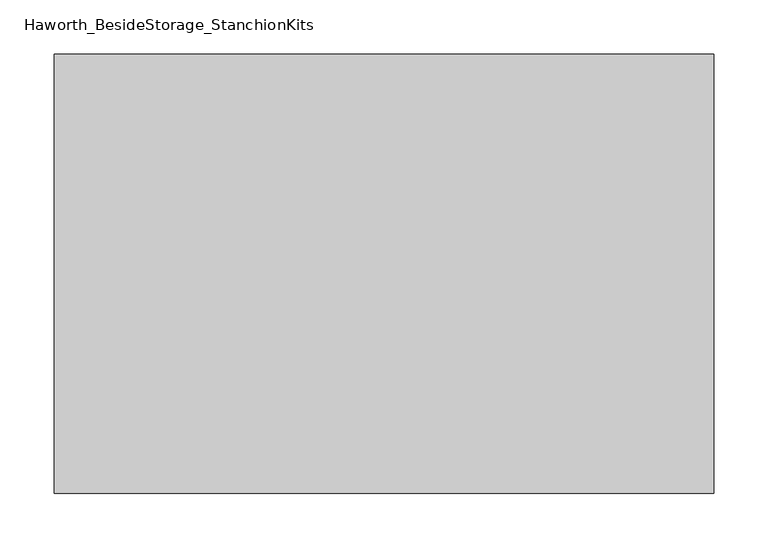
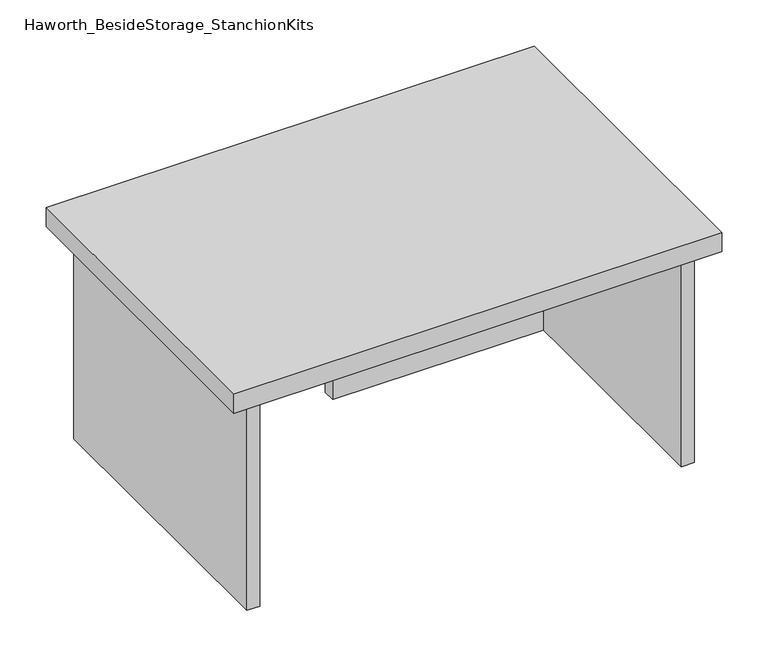
"""IFC4 building model written with IfcOpenShell, lengths in millimetres: furniture geometry, Haworth_BesideStorage_StanchionKits."""

from ifc_helpers import new_model, si_unit, frame, origin, place, context, project, spatial, polyline, outline, extrude, source, transform, mapped, element, save


def haworth_besidestorage_stanchionkits_faf64165(model_context):
    return source(origin(), model_context, "Body", "SweptSolid", [
        extrude(outline(polyline([(466.725, 0.0), (466.725, -406.4), (-142.875, -406.4), (-142.875, 0.0), (466.725, 0.0)])), frame((0.0, 0.0, 711.2), z_axis=(0.0, 0.0, 1.0), x_axis=(1.0, 0.0, 0.0)), (0.0, 0.0, 1.0), 25.4),
        extrude(outline(polyline([(161.925, -76.2), (425.45, -76.2), (425.45, -92.075), (161.925, -92.075), (161.925, -76.2)])), frame((0.0, 0.0, 431.8), z_axis=(0.0, 0.0, 1.0), x_axis=(1.0, 0.0, 0.0)), (0.0, 0.0, 1.0), 279.4),
        extrude(outline(polyline([(441.325, -390.525), (425.45, -390.525), (425.45, -15.875), (441.325, -15.875), (441.325, -390.525)])), frame((0.0, 0.0, 431.8), z_axis=(0.0, 0.0, 1.0), x_axis=(1.0, 0.0, 0.0)), (0.0, 0.0, 1.0), 279.4),
        extrude(outline(polyline([(-101.6, -390.525), (-117.475, -390.525), (-117.475, -15.875), (-101.6, -15.875), (-101.6, -390.525)])), frame((0.0, 0.0, 431.8), z_axis=(0.0, 0.0, 1.0), x_axis=(1.0, 0.0, 0.0)), (0.0, 0.0, 1.0), 279.4),
    ])


if __name__ == "__main__":
    model = new_model("IFC4")
    model_context = context("Model", 3, world=origin())
    ifc_project = project(units=[si_unit("LENGTHUNIT", "METRE", prefix="MILLI")], contexts=[model_context])
    site = spatial("IfcSite", under=ifc_project)
    building = spatial("IfcBuilding", under=site)
    placement = place(None, origin())
    haworth_besidestorage_stanchionkits_shape = haworth_besidestorage_stanchionkits_faf64165(model_context)
    element("IfcFurniture", 1, ObjectType="Haworth_BesideStorage_StanchionKits", at=placement, inside=building, context=model_context, shape_type="MappedRepresentation", body=[
        mapped(haworth_besidestorage_stanchionkits_shape, transform((0.0, 0.0, 0.0), x_axis=(1.0, 0.0, 0.0), y_axis=(0.0, 1.0, 0.0), z_axis=(0.0, 0.0, 1.0))),
    ])
    save(model, "model.ifc")
